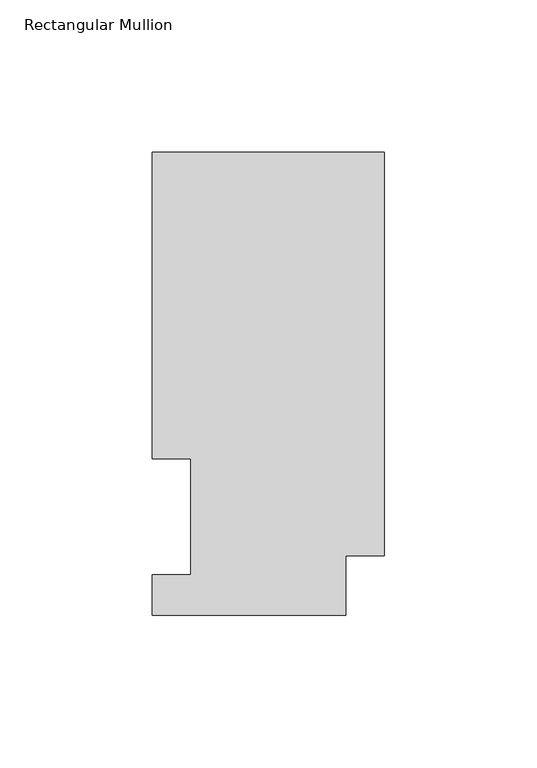
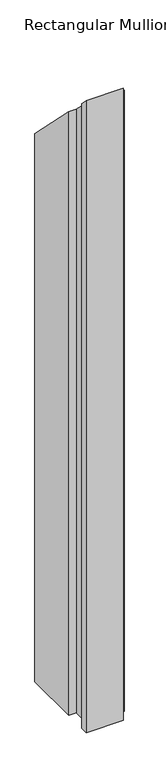
"""IFC4 building model written with IfcOpenShell, lengths in millimetres: member geometry, Rectangular Mullion."""

from ifc_helpers import new_model, si_unit, origin, place, context, project, spatial, faceted_brep, source, transform, mapped, element, save


def rectangular_mullion_47daf102(model_context):
    return source(origin(), model_context, "Body", "Brep", [
        faceted_brep([(0.0, 151.8147517, -1143.0134938), (0.0, 19.4553517, -1143.0134938), (-12.7, 19.4553517, -1143.0134938), (-12.7, -0.0772483, -1143.0134938), (-76.2, -0.0772483, -1143.0134938), (-76.2, 13.1053517, -1143.0134938), (-63.5127, 13.1053517, -1143.0134938), (-63.5127, 51.2053517, -1143.0134938), (-76.2, 51.2053517, -1143.0134938), (-76.2, 151.8147517, -1143.0134938), (-76.2, 151.8147517, -151.8147517), (0.0, 151.8147517, -151.8147517), (-76.2, 51.2053517, -51.2053517), (-63.5127, 51.2053517, -51.2053517), (-63.5127, 13.1053517, -13.1053517), (-76.2, 13.1053517, -13.1053517), (-76.2, -0.0772483, 0.0772483), (-12.7, -0.0772483, 0.0772483), (-12.7, 19.4553517, -19.4553517), (0.0, 19.4553517, -19.4553517)], [[[0, 1, 2, 3, 4, 5, 6, 7, 8, 9]], [[10, 11, 0, 9]], [[12, 10, 9, 8]], [[13, 12, 8, 7]], [[14, 13, 7, 6]], [[15, 14, 6, 5]], [[16, 15, 5, 4]], [[17, 16, 4, 3]], [[18, 17, 3, 2]], [[19, 18, 2, 1]], [[11, 19, 1, 0]], [[11, 10, 12, 13, 14, 15, 16, 17, 18, 19]]]),
    ])


if __name__ == "__main__":
    model = new_model("IFC4")
    model_context = context("Model", 3, world=origin())
    ifc_project = project(units=[si_unit("LENGTHUNIT", "METRE", prefix="MILLI")], contexts=[model_context])
    site = spatial("IfcSite", under=ifc_project)
    building = spatial("IfcBuilding", under=site)
    placement = place(None, origin())
    rectangular_mullion_shape = rectangular_mullion_47daf102(model_context)
    element("IfcMember", 1, ObjectType="Rectangular Mullion", at=placement, inside=building, context=model_context, shape_type="MappedRepresentation", body=[
        mapped(rectangular_mullion_shape, transform((0.0, 0.0, 0.0), x_axis=(1.0, 0.0, 0.0), y_axis=(0.0, 1.0, 0.0), z_axis=(0.0, 0.0, 1.0))),
    ])
    save(model, "model.ifc")
